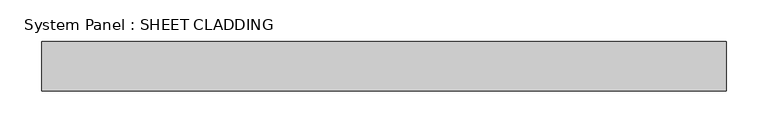
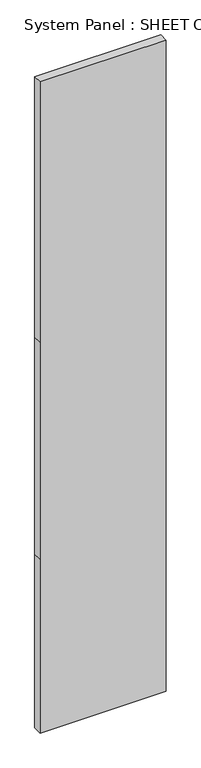
"""IFC4 building model written with IfcOpenShell, lengths in millimetres: plate geometry, System Panel : SHEET CLADDING."""

from ifc_helpers import new_model, si_unit, frame, origin, place, context, project, spatial, polyline, outline, extrude, source, transform, mapped, element, save


def system_panel_sheet_cladding_f11437c8(model_context):
    return source(origin(), model_context, "Body", "SweptSolid", [
        extrude(outline(polyline([(0.0, -412.5), (0.0, 412.5), (1200.0, 412.5), (2700.0, 412.5), (4500.0, 412.5), (4500.0, -412.5), (2700.0, -412.5), (1200.0, -412.5), (0.0, -412.5)])), frame((0.0, -49.5, 0.0), z_axis=(0.0, 1.0, 0.0), x_axis=(0.0, 0.0, 1.0)), (0.0, 0.0, 1.0), 60.0),
    ])


if __name__ == "__main__":
    model = new_model("IFC4")
    model_context = context("Model", 3, world=origin())
    ifc_project = project(units=[si_unit("LENGTHUNIT", "METRE", prefix="MILLI")], contexts=[model_context])
    site = spatial("IfcSite", under=ifc_project)
    building = spatial("IfcBuilding", under=site)
    placement = place(None, origin())
    system_panel_sheet_cladding_shape = system_panel_sheet_cladding_f11437c8(model_context)
    element("IfcPlate", 1, ObjectType="System Panel : SHEET CLADDING", at=placement, inside=building, context=model_context, shape_type="MappedRepresentation", body=[
        mapped(system_panel_sheet_cladding_shape, transform((0.0, 0.0, 0.0), x_axis=(1.0, 0.0, 0.0), y_axis=(0.0, 1.0, 0.0), z_axis=(0.0, 0.0, 1.0))),
    ])
    save(model, "model.ifc")
